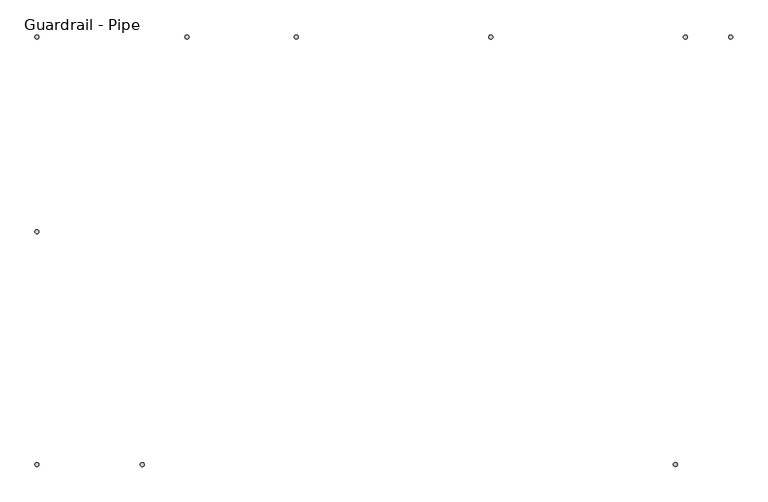
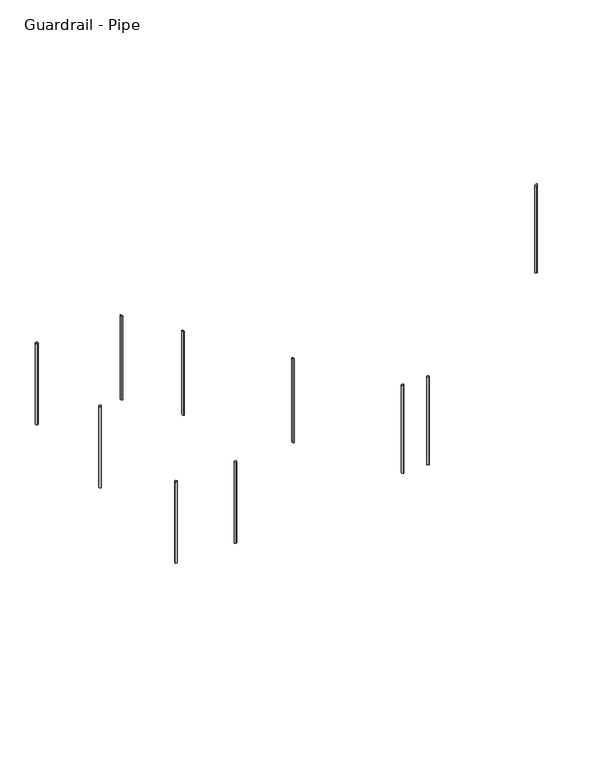
"""IFC4 building model written with IfcOpenShell, lengths in millimetres: railing geometry, Guardrail - Pipe."""

from ifc_helpers import new_model, si_unit, point, frame, frame_2d, origin, place, context, project, spatial, circle_curve, ellipse_curve, trimmed, segment, composite_curve, outline, extrude, source, transform, mapped, element, save
from ifc_brep_helpers import plane_surface, cylinder_surface, advanced_brep


def guardrail_pipe_e3ac3d16(model_context):
    return source(origin(), model_context, "Body", "SolidModel", [
        extrude(outline(composite_curve([segment(trimmed(circle_curve(frame_2d((-14610.2112561, 2825.0151259)), 12.7), [point((-14597.5112561, 2825.0151259))], [point((-14622.9112561, 2825.0151259))], False, "CARTESIAN"), True, "CONTINUOUS"), segment(trimmed(circle_curve(frame_2d((-14610.2112561, 2825.0151259)), 12.7), [point((-14622.9112561, 2825.0151259))], [point((-14597.5112561, 2825.0151259))], False, "CARTESIAN"), True, "CONTINUOUS")], self_intersect=False)), frame((0.0, 0.0, -1665.5142857), z_axis=(0.0, 0.0, 1.0), x_axis=(1.0, 0.0, 0.0)), (0.0, 0.0, 1.0), 952.5),
        advanced_brep(
        [(-12985.1109142, 4056.9151259, -1139.9308197), (-12985.1109142, 4056.9151259, -2123.4091626), (-12985.1109142, 4031.5151259, -2123.4091626), (-12985.1109142, 4031.5151259, -1139.9308197)],
        [
            (0, 1),
            (1, 2, ellipse_curve(frame((-12985.1109142, 4044.2151259, -2123.4091626), z_axis=(0.5228317602847701, 0.0, 0.8524358922743275), x_axis=(-0.8524358922743275, 0.0, 0.5228317602847699)), 14.8984811, 12.7)),
            (2, 3),
            (3, 0, ellipse_curve(frame((-12985.1109142, 4044.2151259, -1139.9308197), z_axis=(-0.522831760284768, 0.0, -0.8524358922743287), x_axis=(-0.8524358922743287, 0.0, 0.522831760284768)), 14.8984811, 12.7)),
            (0, 3, ellipse_curve(frame((-12985.1109142, 4044.2151259, -1139.9308197), z_axis=(-0.522831760284768, 0.0, -0.8524358922743287), x_axis=(-0.8524358922743287, 0.0, 0.522831760284768)), 14.8984811, 12.7)),
            (2, 1, ellipse_curve(frame((-12985.1109142, 4044.2151259, -2123.4091626), z_axis=(0.5228317602847701, 0.0, 0.8524358922743275), x_axis=(-0.8524358922743275, 0.0, 0.5228317602847699)), 14.8984811, 12.7)),
        ],
        [
            cylinder_surface(frame((-12985.1109142, 4044.2151259, -2352.0091626), z_axis=(0.0, 0.0, 1.0), x_axis=(0.0, -1.0, 0.0)), 12.7),
            plane_surface(frame((-13010.5109142, 4018.8151259, -1124.3520215), z_axis=(0.522831760284768, 0.0, 0.8524358922743287), x_axis=(0.0, 1.0, 0.0))),
            plane_surface(frame((-12959.7109142, 4018.8151259, -2138.9879607), z_axis=(-0.5228317602847701, 0.0, -0.8524358922743275), x_axis=(0.0, 1.0, 0.0))),
        ],
        [
            (0, [[1, 2, 3, 4]]),
            (0, [[-1, 5, -3, 6]]),
            (1, [[-4, -5]]),
            (2, [[-2, -6]]),
        ],
    ),
        advanced_brep(
        [(-11765.9109142, 4056.9151259, -1887.7131314), (-11765.9109142, 4056.9151259, -2871.1914743), (-11765.9109142, 4031.5151259, -2871.1914743), (-11765.9109142, 4031.5151259, -1887.7131314)],
        [
            (0, 1),
            (1, 2, ellipse_curve(frame((-11765.9109142, 4044.2151259, -2871.1914743), z_axis=(0.5228317602847701, 0.0, 0.8524358922743275), x_axis=(-0.8524358922743275, 0.0, 0.5228317602847699)), 14.8984811, 12.7)),
            (2, 3),
            (3, 0, ellipse_curve(frame((-11765.9109142, 4044.2151259, -1887.7131314), z_axis=(-0.522831760284768, 0.0, -0.8524358922743287), x_axis=(-0.8524358922743287, 0.0, 0.522831760284768)), 14.8984811, 12.7)),
            (0, 3, ellipse_curve(frame((-11765.9109142, 4044.2151259, -1887.7131314), z_axis=(-0.522831760284768, 0.0, -0.8524358922743287), x_axis=(-0.8524358922743287, 0.0, 0.522831760284768)), 14.8984811, 12.7)),
            (2, 1, ellipse_curve(frame((-11765.9109142, 4044.2151259, -2871.1914743), z_axis=(0.5228317602847701, 0.0, 0.8524358922743275), x_axis=(-0.8524358922743275, 0.0, 0.5228317602847699)), 14.8984811, 12.7)),
        ],
        [
            cylinder_surface(frame((-11765.9109142, 4044.2151259, -3099.7914743), z_axis=(0.0, 0.0, 1.0), x_axis=(0.0, -1.0, 0.0)), 12.7),
            plane_surface(frame((-11791.3109142, 4018.8151259, -1872.1343333), z_axis=(0.522831760284768, 0.0, 0.8524358922743287), x_axis=(0.0, 1.0, 0.0))),
            plane_surface(frame((-11740.5109142, 4018.8151259, -2886.7702725), z_axis=(-0.5228317602847701, 0.0, -0.8524358922743275), x_axis=(0.0, 1.0, 0.0))),
        ],
        [
            (0, [[1, 2, 3, 4]]),
            (0, [[-1, 5, -3, 6]]),
            (1, [[-4, -5]]),
            (2, [[-2, -6]]),
        ],
    ),
        extrude(outline(composite_curve([segment(trimmed(circle_curve(frame_2d((-13949.8112561, 1367.0404418)), 12.7), [point((-13949.8112561, 1379.7404418))], [point((-13949.8112561, 1354.3404418))], False, "CARTESIAN"), True, "CONTINUOUS"), segment(trimmed(circle_curve(frame_2d((-13949.8112561, 1367.0404418)), 12.7), [point((-13949.8112561, 1354.3404418))], [point((-13949.8112561, 1379.7404418))], False, "CARTESIAN"), True, "CONTINUOUS")], self_intersect=False)), frame((0.0, 0.0, -1665.5142857), z_axis=(0.0, 0.0, 1.0), x_axis=(1.0, 0.0, 0.0)), (0.0, 0.0, 1.0), 952.5),
        extrude(outline(composite_curve([segment(trimmed(circle_curve(frame_2d((-14610.2112561, 1367.0404418)), 12.7), [point((-14597.5112561, 1367.0404418))], [point((-14622.9112561, 1367.0404418))], False, "CARTESIAN"), True, "CONTINUOUS"), segment(trimmed(circle_curve(frame_2d((-14610.2112561, 1367.0404418)), 12.7), [point((-14622.9112561, 1367.0404418))], [point((-14597.5112561, 1367.0404418))], False, "CARTESIAN"), True, "CONTINUOUS")], self_intersect=False)), frame((0.0, 0.0, -1665.5142857), z_axis=(0.0, 0.0, 1.0), x_axis=(1.0, 0.0, 0.0)), (0.0, 0.0, 1.0), 952.5),
        extrude(outline(composite_curve([segment(trimmed(circle_curve(frame_2d((-14610.2112561, 4044.2151259)), 12.7), [point((-14610.2112561, 4031.5151259))], [point((-14610.2112561, 4056.9151259))], False, "CARTESIAN"), True, "CONTINUOUS"), segment(trimmed(circle_curve(frame_2d((-14610.2112561, 4044.2151259)), 12.7), [point((-14610.2112561, 4056.9151259))], [point((-14610.2112561, 4031.5151259))], False, "CARTESIAN"), True, "CONTINUOUS")], self_intersect=False)), frame((0.0, 0.0, -1665.5142857), z_axis=(0.0, 0.0, 1.0), x_axis=(1.0, 0.0, 0.0)), (0.0, 0.0, 1.0), 952.5),
        advanced_brep(
        [(-13670.4112561, 4056.9151259, -719.6097289), (-13670.4112561, 4056.9151259, -1703.0880718), (-13670.4112561, 4031.5151259, -1703.0880718), (-13670.4112561, 4031.5151259, -719.6097289)],
        [
            (0, 1),
            (1, 2, ellipse_curve(frame((-13670.4112561, 4044.2151259, -1703.0880718), z_axis=(0.5228317602847701, 0.0, 0.8524358922743275), x_axis=(-0.8524358922743275, 0.0, 0.5228317602847699)), 14.8984811, 12.7)),
            (2, 3),
            (3, 0, ellipse_curve(frame((-13670.4112561, 4044.2151259, -719.6097289), z_axis=(-0.522831760284768, 0.0, -0.8524358922743287), x_axis=(-0.8524358922743287, 0.0, 0.522831760284768)), 14.8984811, 12.7)),
            (0, 3, ellipse_curve(frame((-13670.4112561, 4044.2151259, -719.6097289), z_axis=(-0.522831760284768, 0.0, -0.8524358922743287), x_axis=(-0.8524358922743287, 0.0, 0.522831760284768)), 14.8984811, 12.7)),
            (2, 1, ellipse_curve(frame((-13670.4112561, 4044.2151259, -1703.0880718), z_axis=(0.5228317602847701, 0.0, 0.8524358922743275), x_axis=(-0.8524358922743275, 0.0, 0.5228317602847699)), 14.8984811, 12.7)),
        ],
        [
            cylinder_surface(frame((-13670.4112561, 4044.2151259, -1931.6880718), z_axis=(0.0, 0.0, 1.0), x_axis=(0.0, -1.0, 0.0)), 12.7),
            plane_surface(frame((-13695.8112561, 4018.8151259, -704.0309307), z_axis=(0.522831760284768, 0.0, 0.8524358922743287), x_axis=(0.0, 1.0, 0.0))),
            plane_surface(frame((-13645.0112561, 4018.8151259, -1718.6668699), z_axis=(-0.5228317602847701, 0.0, -0.8524358922743275), x_axis=(0.0, 1.0, 0.0))),
        ],
        [
            (0, [[1, 2, 3, 4]]),
            (0, [[-1, 5, -3, 6]]),
            (1, [[-4, -5]]),
            (2, [[-2, -6]]),
        ],
    ),
        extrude(outline(composite_curve([segment(trimmed(circle_curve(frame_2d((-10546.7109142, 4044.2151259)), 12.7), [point((-10546.7109142, 4031.5151259))], [point((-10546.7109142, 4056.9151259))], False, "CARTESIAN"), True, "CONTINUOUS"), segment(trimmed(circle_curve(frame_2d((-10546.7109142, 4044.2151259)), 12.7), [point((-10546.7109142, 4056.9151259))], [point((-10546.7109142, 4031.5151259))], False, "CARTESIAN"), True, "CONTINUOUS")], self_intersect=False)), frame((0.0, 0.0, -3657.6), z_axis=(0.0, 0.0, 1.0), x_axis=(1.0, 0.0, 0.0)), (0.0, 0.0, 1.0), 1028.7),
        advanced_brep(
        [(-10609.7112561, 1354.3404418, 1362.329389), (-10609.7112561, 1354.3404418, 340.425974), (-10609.7112561, 1379.7404418, 340.425974), (-10609.7112561, 1379.7404418, 1362.329389)],
        [
            (0, 1),
            (1, 2, circle_curve(frame((-10609.7112561, 1367.0404418, 340.425974), z_axis=(0.0, 0.0, 1.0), x_axis=(0.0, 1.0, 0.0)), 12.7)),
            (2, 3),
            (3, 0, ellipse_curve(frame((-10609.7112561, 1367.0404418, 1362.329389), z_axis=(0.5290079267977366, 0.0, -0.8486168825713761), x_axis=(0.8486168825713762, 0.0, 0.5290079267977363)), 14.9655283, 12.7)),
            (0, 3, ellipse_curve(frame((-10609.7112561, 1367.0404418, 1362.329389), z_axis=(0.5290079267977366, 0.0, -0.8486168825713761), x_axis=(0.8486168825713762, 0.0, 0.5290079267977363)), 14.9655283, 12.7)),
            (2, 1, circle_curve(frame((-10609.7112561, 1367.0404418, 340.425974), z_axis=(0.0, 0.0, 1.0), x_axis=(0.0, 1.0, 0.0)), 12.7)),
        ],
        [
            cylinder_surface(frame((-10609.7112561, 1367.0404418, 111.825974), z_axis=(0.0, 0.0, 1.0), x_axis=(0.0, 1.0, 0.0)), 12.7),
            plane_surface(frame((-10584.3112561, 1392.4404418, 1378.1631553), z_axis=(-0.5290079267977366, 0.0, 0.8486168825713761), x_axis=(0.0, -1.0, 0.0))),
            plane_surface(frame((-10635.1112561, 1392.4404418, 340.425974), z_axis=(0.0, 0.0, -1.0), x_axis=(0.0, -1.0, 0.0))),
        ],
        [
            (0, [[1, 2, 3, 4]]),
            (0, [[-1, 5, -3, 6]]),
            (1, [[-4, -5]]),
            (2, [[-2, -6]]),
        ],
    ),
        extrude(outline(composite_curve([segment(trimmed(circle_curve(frame_2d((-10263.7564309, 4044.2151259)), 12.7), [point((-10263.7564309, 4031.5151259))], [point((-10263.7564309, 4056.9151259))], False, "CARTESIAN"), True, "CONTINUOUS"), segment(trimmed(circle_curve(frame_2d((-10263.7564309, 4044.2151259)), 12.7), [point((-10263.7564309, 4056.9151259))], [point((-10263.7564309, 4031.5151259))], False, "CARTESIAN"), True, "CONTINUOUS")], self_intersect=False)), frame((0.0, 0.0, -3657.6), z_axis=(0.0, 0.0, 1.0), x_axis=(1.0, 0.0, 0.0)), (0.0, 0.0, 1.0), 1028.7),
    ])


if __name__ == "__main__":
    model = new_model("IFC4")
    model_context = context("Model", 3, world=origin())
    ifc_project = project(units=[si_unit("LENGTHUNIT", "METRE", prefix="MILLI")], contexts=[model_context])
    site = spatial("IfcSite", under=ifc_project)
    building = spatial("IfcBuilding", under=site)
    placement = place(None, origin())
    guardrail_pipe_shape = guardrail_pipe_e3ac3d16(model_context)
    element("IfcRailing", 1, ObjectType="Guardrail - Pipe", at=placement, inside=building, context=model_context, shape_type="MappedRepresentation", body=[
        mapped(guardrail_pipe_shape, transform((0.0, 0.0, 0.0), x_axis=(1.0, 0.0, 0.0), y_axis=(0.0, 1.0, 0.0), z_axis=(0.0, 0.0, 1.0))),
    ])
    save(model, "model.ifc")
